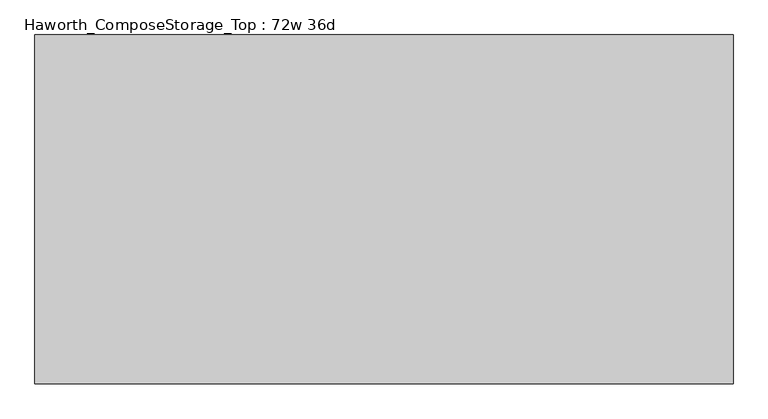
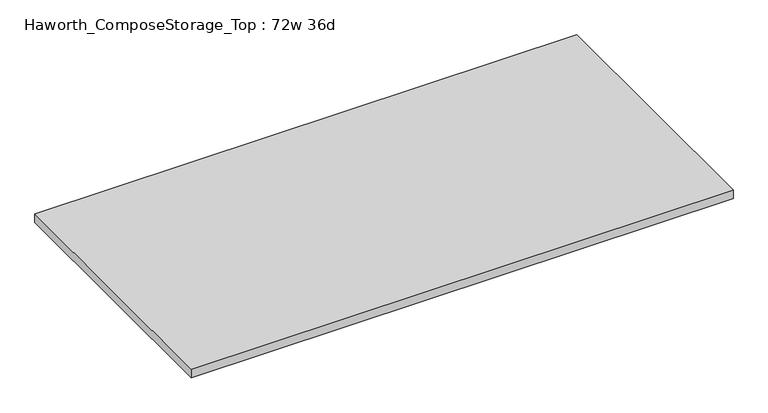
"""IFC4 building model written with IfcOpenShell, lengths in millimetres: furniture geometry, Haworth_ComposeStorage_Top : 72w 36d."""

from ifc_helpers import new_model, si_unit, frame, origin, place, context, project, spatial, polyline, outline, extrude, source, transform, mapped, element, save


def haworth_composestorage_top_72w_36d_56730451(model_context):
    return source(origin(), model_context, "Body", "SweptSolid", [
        extrude(outline(polyline([(914.4, 457.2), (914.4, -457.2), (-914.4, -457.2), (-914.4, 457.2), (914.4, 457.2)])), frame((0.0, 0.0, 706.4375), z_axis=(0.0, 0.0, 1.0), x_axis=(1.0, 0.0, 0.0)), (0.0, 0.0, 1.0), 30.1625),
    ])


if __name__ == "__main__":
    model = new_model("IFC4")
    model_context = context("Model", 3, world=origin())
    ifc_project = project(units=[si_unit("LENGTHUNIT", "METRE", prefix="MILLI")], contexts=[model_context])
    site = spatial("IfcSite", under=ifc_project)
    building = spatial("IfcBuilding", under=site)
    placement = place(None, origin())
    haworth_composestorage_top_72w_36d_shape = haworth_composestorage_top_72w_36d_56730451(model_context)
    element("IfcFurniture", 1, ObjectType="Haworth_ComposeStorage_Top : 72w 36d", at=placement, inside=building, context=model_context, shape_type="MappedRepresentation", body=[
        mapped(haworth_composestorage_top_72w_36d_shape, transform((0.0, 0.0, 0.0), x_axis=(1.0, 0.0, 0.0), y_axis=(0.0, 1.0, 0.0), z_axis=(0.0, 0.0, 1.0))),
    ])
    save(model, "model.ifc")
